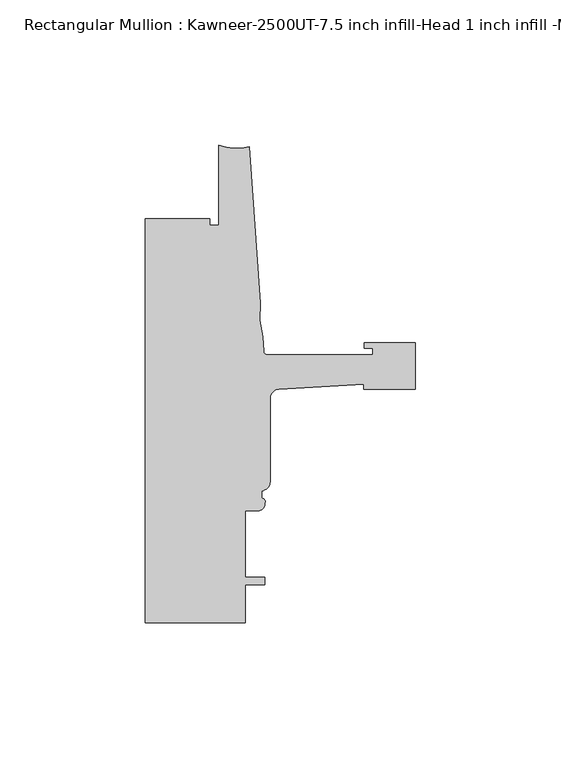
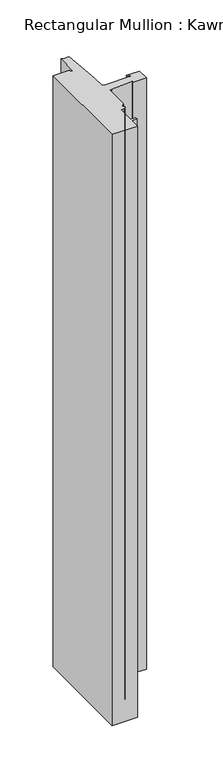
"""IFC4 building model written with IfcOpenShell, lengths in millimetres: member geometry, Rectangular Mullion : Kawneer-2500UT-7.5 inch infill-Head 1 inch infill -MODEL."""

from ifc_helpers import new_model, si_unit, point, frame, frame_2d, origin, place, context, project, spatial, polyline, circle_curve, trimmed, segment, composite_curve, outline, extrude, source, transform, mapped, element, save


def rectangular_mullion_kawneer_2500ut_7_5_inch_infill_head_1_ecc755a1(model_context):
    return source(origin(), model_context, "Body", "SweptSolid", [
        extrude(outline(composite_curve([segment(polyline([(-17.9118541, -69.7206423), (-47.0897067, -71.4596926)]), True, "CONTINUOUS"), segment(trimmed(circle_curve(frame_2d((-46.9265, -74.6304951)), 3.175), [point((-47.0897067, -71.4596926))], [point((-50.1015, -74.6304951))], True, "CARTESIAN"), True, "CONTINUOUS"), segment(polyline([(-50.1015, -74.6304951), (-50.1015, -103.3419824)]), True, "CONTINUOUS"), segment(trimmed(circle_curve(frame_2d((-53.2765, -103.3419824)), 3.175), [point((-50.1015, -103.3419824))], [point((-53.0225002, -106.5068061))], False, "CARTESIAN"), True, "CONTINUOUS"), segment(polyline([(-53.0225002, -106.5068061), (-53.0225002, -109.1460704)]), True, "CONTINUOUS"), segment(trimmed(circle_curve(frame_2d((-52.9049287, -110.2079631)), 1.0683816), [point((-53.0225002, -109.1460704))], [point((-51.903048, -110.5790079))], False, "CARTESIAN"), True, "CONTINUOUS"), segment(trimmed(circle_curve(frame_2d((-54.4195002, -110.9240703)), 2.5399999), [point((-51.903048, -110.5790079))], [point((-54.4195002, -113.4640702))], False, "CARTESIAN"), True, "CONTINUOUS"), segment(polyline([(-54.4195002, -113.4640702), (-58.7375, -113.4640702), (-58.7375, -136.3240702), (-51.8795003, -136.3240702), (-51.8795003, -138.8640702), (-58.7375, -138.8640702), (-58.7375, -151.9078694), (-93.2286109, -151.9078694), (-93.2286109, -12.7163219), (-71.0036575, -12.7158694), (-71.0036109, -15.0018694), (-67.8287241, -15.0018694), (-67.8287241, 12.6841306)]), True, "CONTINUOUS"), segment(trimmed(circle_curve(frame_2d((-61.5737839, 28.2172105)), 16.7451739), [point((-67.8287241, 12.6841306))], [point((-57.2987828, 12.026929))], True, "CARTESIAN"), True, "CONTINUOUS"), segment(polyline([(-57.2987828, 12.026929), (-53.5273008, -41.9075277)]), True, "CONTINUOUS"), segment(trimmed(circle_curve(frame_2d((-22.6573046, -45.5360124)), 31.0825122), [point((-53.5273008, -41.9075277))], [point((-52.7218885, -53.4254588))], True, "CARTESIAN"), True, "CONTINUOUS"), segment(polyline([(-52.7218885, -53.4254588), (-52.3871825, -58.2119783)]), True, "CONTINUOUS"), segment(trimmed(circle_curve(frame_2d((-50.8668948, -58.1056694)), 1.524), [point((-52.3871825, -58.2119783))], [point((-50.8668948, -59.6296694))], True, "CARTESIAN"), True, "CONTINUOUS"), segment(polyline([(-50.8668948, -59.6296694), (-14.783487, -59.6296694), (-14.783487, -57.2928693), (-17.6377748, -57.2928693), (-17.6377748, -55.5148693), (0.0, -55.5148693), (0.0, -71.5168692), (-17.9118541, -71.5168692), (-17.9118541, -69.7206423)]), True, "CONTINUOUS")], self_intersect=False)), frame((0.0, 0.0, -850.9000061), z_axis=(0.0, 0.0, 1.0), x_axis=(1.0, 0.0, 0.0)), (0.0, 0.0, 1.0), 850.9000061),
    ])


if __name__ == "__main__":
    model = new_model("IFC4")
    model_context = context("Model", 3, world=origin())
    ifc_project = project(units=[si_unit("LENGTHUNIT", "METRE", prefix="MILLI")], contexts=[model_context])
    site = spatial("IfcSite", under=ifc_project)
    building = spatial("IfcBuilding", under=site)
    placement = place(None, origin())
    rectangular_mullion_kawneer_2500ut_7_5_inch_infill_head_1_shape = rectangular_mullion_kawneer_2500ut_7_5_inch_infill_head_1_ecc755a1(model_context)
    element("IfcMember", 1, ObjectType="Rectangular Mullion : Kawneer-2500UT-7.5 inch infill-Head 1 inch infill -MODEL", at=placement, inside=building, context=model_context, shape_type="MappedRepresentation", body=[
        mapped(rectangular_mullion_kawneer_2500ut_7_5_inch_infill_head_1_shape, transform((0.0, 0.0, 0.0), x_axis=(1.0, 0.0, 0.0), y_axis=(0.0, 1.0, 0.0), z_axis=(0.0, 0.0, 1.0))),
    ])
    save(model, "model.ifc")
